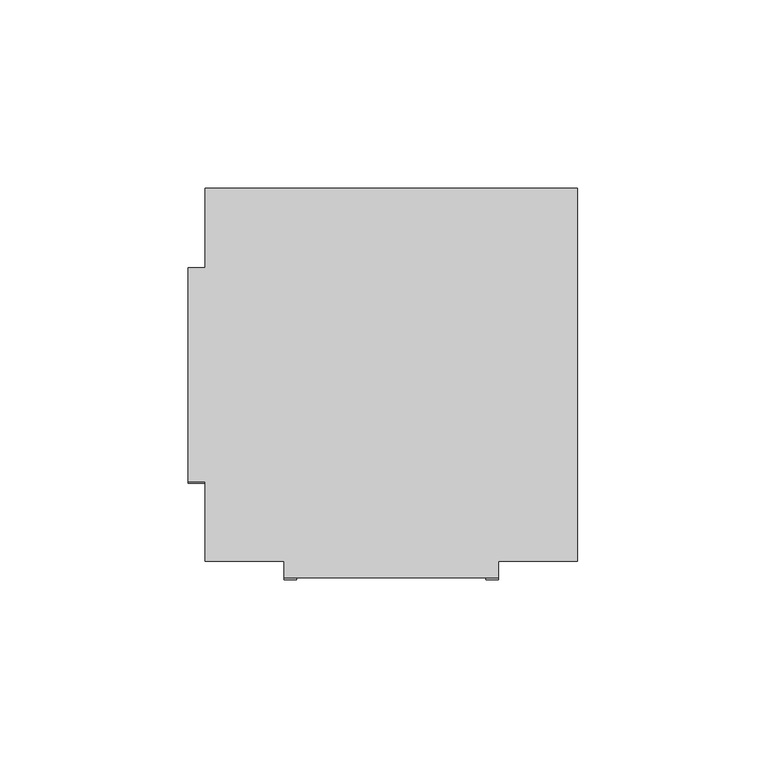
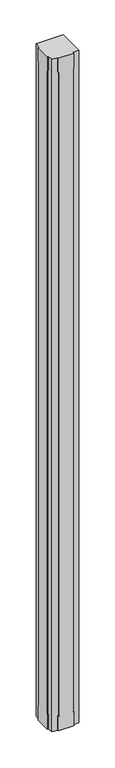
"""IFC4 building model written with IfcOpenShell, lengths in millimetres: furniture geometry."""

from ifc_helpers import new_model, si_unit, origin, place, context, project, spatial, faceted_brep, source, transform, mapped, element, save


def furniture_add2f606(model_context):
    return source(origin(), model_context, "Body", "Brep", [
        faceted_brep([(79.121, -307.975, 55.118), (79.121, -307.975, 2535.682), (82.423, -307.975, 2535.682), (82.423, -307.975, 2590.8), (25.527, -307.975, 2590.8), (25.527, -307.975, 2535.682), (28.829, -307.975, 2535.682), (28.829, -307.975, 55.118), (25.527, -307.975, 55.118), (25.527, -307.975, 0.0), (82.423, -307.975, 0.0), (82.423, -307.975, 55.118), (79.121, -303.4792, 55.118), (79.121, -303.4792, 2535.682), (82.423, -303.4792, 2535.682), (82.423, -303.4792, 2590.8), (103.4542, -303.4792, 2590.8), (103.4542, -204.5208, 2590.8), (4.4958, -204.5208, 2590.8), (4.4958, -225.552, 2590.8), (0.0, -225.552, 2590.8), (0.0, -282.448, 2590.8), (4.4958, -282.448, 2590.8), (4.4958, -303.4792, 2590.8), (25.527, -303.4792, 2590.8), (25.527, -303.4792, 2535.682), (28.829, -303.4792, 2535.682), (28.829, -303.4792, 55.118), (25.527, -303.4792, 55.118), (25.527, -303.4792, 0.0), (4.4958, -303.4792, 0.0), (4.4958, -282.448, 0.0), (0.0, -282.448, 0.0), (0.0, -225.552, 0.0), (4.4958, -225.552, 0.0), (4.4958, -204.5208, 0.0), (103.4542, -204.5208, 0.0), (103.4542, -303.4792, 0.0), (82.423, -303.4792, 0.0), (82.423, -303.4792, 55.118), (4.4958, -225.552, 55.118), (4.4958, -228.854, 55.118), (4.4958, -228.854, 2535.682), (4.4958, -225.552, 2535.682), (4.4958, -282.448, 2535.682), (4.4958, -279.146, 2535.682), (4.4958, -279.146, 55.118), (4.4958, -282.448, 55.118), (0.0, -228.854, 55.118), (0.0, -225.552, 55.118), (0.0, -282.448, 55.118), (0.0, -279.146, 55.118), (0.0, -279.146, 2535.682), (0.0, -282.448, 2535.682), (0.0, -225.552, 2535.682), (0.0, -228.854, 2535.682)], [[[0, 1, 2, 3, 4, 5, 6, 7, 8, 9, 10, 11]], [[1, 0, 12, 13]], [[2, 1, 13, 14]], [[3, 2, 14, 15]], [[4, 3, 15, 16, 17, 18, 19, 20, 21, 22, 23, 24]], [[5, 4, 24, 25]], [[6, 5, 25, 26]], [[7, 6, 26, 27]], [[8, 7, 27, 28]], [[9, 8, 28, 29]], [[10, 9, 29, 30, 31, 32, 33, 34, 35, 36, 37, 38]], [[11, 10, 38, 39]], [[0, 11, 39, 12]], [[18, 17, 36, 35]], [[18, 35, 34, 40, 41, 42, 43, 19]], [[30, 23, 22, 44, 45, 46, 47, 31]], [[23, 30, 29, 28, 27, 26, 25, 24]], [[37, 16, 15, 14, 13, 12, 39, 38]], [[17, 16, 37, 36]], [[48, 49, 33, 32, 50, 51, 52, 53, 21, 20, 54, 55]], [[48, 55, 42, 41]], [[55, 54, 43, 42]], [[54, 20, 19, 43]], [[21, 53, 44, 22]], [[53, 52, 45, 44]], [[52, 51, 46, 45]], [[51, 50, 47, 46]], [[50, 32, 31, 47]], [[33, 49, 40, 34]], [[49, 48, 41, 40]]]),
    ])


if __name__ == "__main__":
    model = new_model("IFC4")
    model_context = context("Model", 3, world=origin())
    ifc_project = project(units=[si_unit("LENGTHUNIT", "METRE", prefix="MILLI")], contexts=[model_context])
    site = spatial("IfcSite", under=ifc_project)
    building = spatial("IfcBuilding", under=site)
    placement = place(None, origin())
    furniture_shape = furniture_add2f606(model_context)
    element("IfcFurniture", 1, at=placement, inside=building, context=model_context, shape_type="MappedRepresentation", body=[
        mapped(furniture_shape, transform((0.0, 0.0, 0.0), x_axis=(1.0, 0.0, 0.0), y_axis=(0.0, 1.0, 0.0), z_axis=(0.0, 0.0, 1.0))),
    ])
    save(model, "model.ifc")
